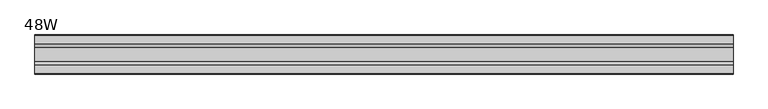
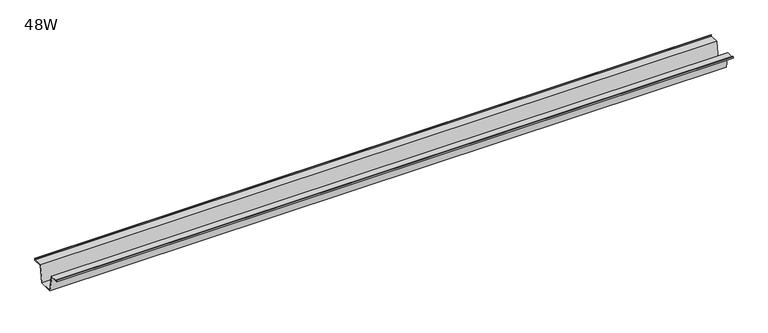
"""IFC4 building model written with IfcOpenShell, lengths in millimetres: furniture geometry, 48W."""

from ifc_helpers import new_model, si_unit, frame, origin, place, context, project, spatial, polyline, outline, extrude, source, transform, mapped, element, save


def furniture_48w_83ac0963(model_context):
    return source(origin(), model_context, "Body", "SweptSolid", [
        extrude(outline(polyline([(-22.9397721, 701.1416), (-28.502372, 670.9156007), (-53.9023728, 670.9156007), (-59.4649727, 701.1416), (-75.3653716, 701.1416), (-75.3653716, 704.3166), (-74.5716216, 704.3166), (-74.5716216, 701.93535), (-58.8172994, 701.93535), (-53.2546995, 671.7093507), (-29.1500453, 671.7093507), (-23.5874454, 701.93535), (-7.8331232, 701.93535), (-7.8331232, 704.3166), (-7.0393732, 704.3166), (-7.0393732, 701.1416), (-22.9397721, 701.1416)])), frame((-609.6, 0.0, 0.0), z_axis=(1.0, 0.0, 0.0), x_axis=(0.0, 1.0, 0.0)), (0.0, 0.0, 1.0), 1219.2),
    ])


if __name__ == "__main__":
    model = new_model("IFC4")
    model_context = context("Model", 3, world=origin())
    ifc_project = project(units=[si_unit("LENGTHUNIT", "METRE", prefix="MILLI")], contexts=[model_context])
    site = spatial("IfcSite", under=ifc_project)
    building = spatial("IfcBuilding", under=site)
    placement = place(None, origin())
    furniture_48w_shape = furniture_48w_83ac0963(model_context)
    element("IfcFurniture", 1, ObjectType="48W", at=placement, inside=building, context=model_context, shape_type="MappedRepresentation", body=[
        mapped(furniture_48w_shape, transform((0.0, 0.0, 0.0), x_axis=(1.0, 0.0, 0.0), y_axis=(0.0, 1.0, 0.0), z_axis=(0.0, 0.0, 1.0))),
    ])
    save(model, "model.ifc")
